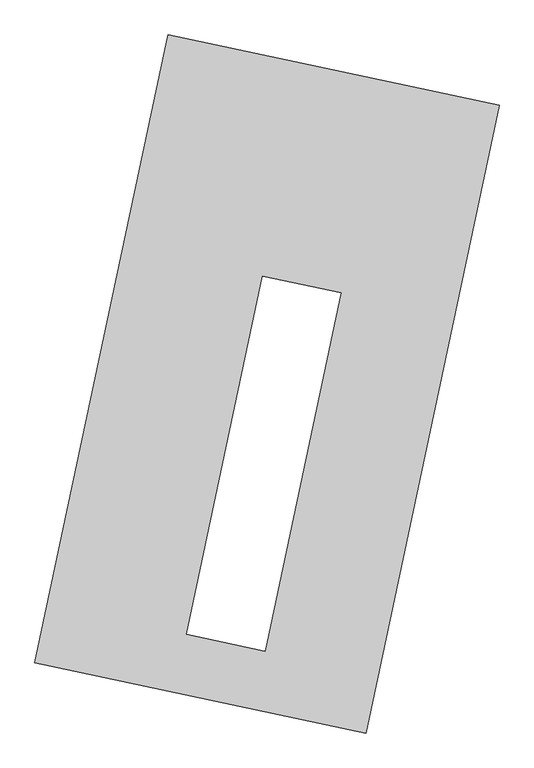
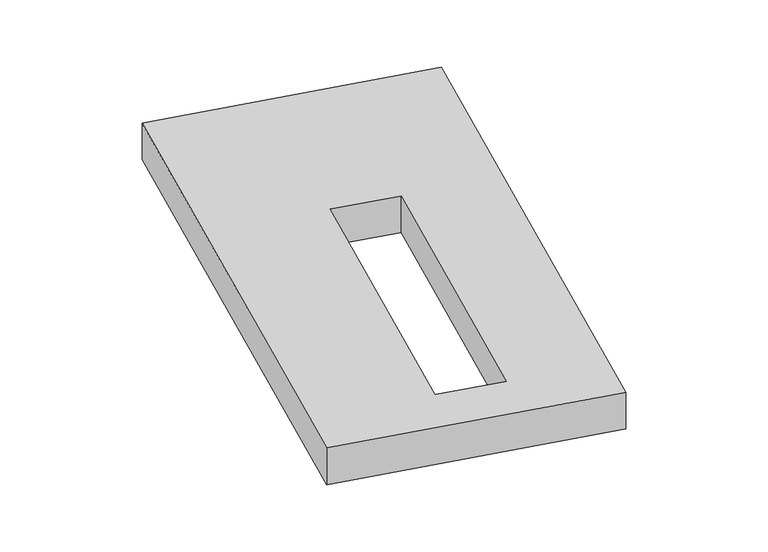
"""IFC4 building model written with IfcOpenShell, lengths in millimetres: proxy geometry."""

from ifc_helpers import new_model, si_unit, origin, origin_with_axes, place, context, project, spatial, polyline, outline, extrude, source, transform, mapped, element, save


def generic_models_8af03682(model_context):
    return source(origin(), model_context, "Body", "SweptSolid", [
        extrude(outline(polyline([(-617.3692021, 2175.5580432), (1447.7508745, 1737.3010494), (617.3692021, -2175.5580432), (-1447.7508745, -1737.3010494), (-617.3692021, 2175.5580432)]), holes=[polyline([(461.521522, 568.2525054), (-28.4644743, 672.2366718), (-502.2200882, -1560.1572058), (-12.2340919, -1664.1413722), (461.521522, 568.2525054)])]), origin_with_axes(), (0.0, 0.0, 1.0), 300.0),
    ])


if __name__ == "__main__":
    model = new_model("IFC4")
    model_context = context("Model", 3, world=origin())
    ifc_project = project(units=[si_unit("LENGTHUNIT", "METRE", prefix="MILLI")], contexts=[model_context])
    site = spatial("IfcSite", under=ifc_project)
    building = spatial("IfcBuilding", under=site)
    placement = place(None, origin())
    generic_models_shape = generic_models_8af03682(model_context)
    element("IfcBuildingElementProxy", 1, Name="Generic Models", at=placement, inside=building, context=model_context, shape_type="MappedRepresentation", body=[
        mapped(generic_models_shape, transform((0.0, 0.0, 0.0), x_axis=(1.0, 0.0, 0.0), y_axis=(0.0, 1.0, 0.0), z_axis=(0.0, 0.0, 1.0))),
    ])
    save(model, "model.ifc")
